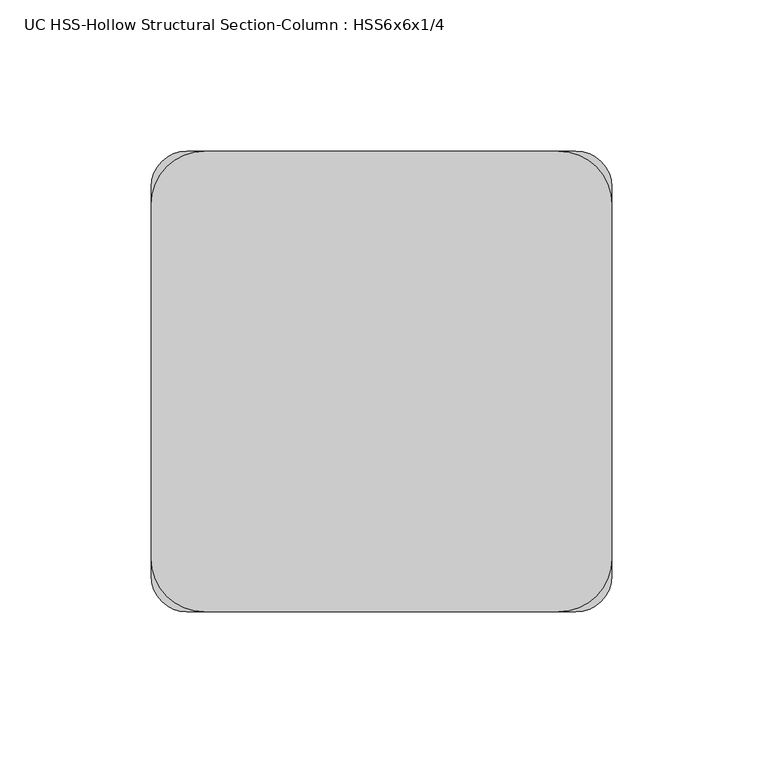
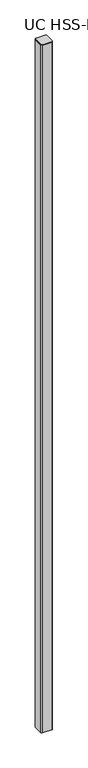
"""IFC4 building model written with IfcOpenShell, lengths in millimetres: column geometry, UC HSS-Hollow Structural Section-Column : HSS6x6x1/4."""

from ifc_helpers import new_model, si_unit, point, frame, frame_2d, origin, place, context, project, spatial, polyline, circle_curve, trimmed, segment, composite_curve, outline, extrude, source, transform, mapped, element, save


def uc_hss_hollow_structural_section_column_hss6x6x1_4_09a02f7c(model_context):
    return source(origin(), model_context, "Body", "SweptSolid", [
        extrude(outline(composite_curve([segment(trimmed(circle_curve(frame_2d((-58.5390625, 58.5390625)), 17.6609375), [point((-76.2, 58.5390625))], [point((-58.5390625, 76.2))], False, "CARTESIAN"), True, "CONTINUOUS"), segment(polyline([(-58.5390625, 76.2), (58.5390625, 76.2)]), True, "CONTINUOUS"), segment(trimmed(circle_curve(frame_2d((58.5390625, 58.5390625)), 17.6609375), [point((58.5390625, 76.2))], [point((76.2, 58.5390625))], False, "CARTESIAN"), True, "CONTINUOUS"), segment(polyline([(76.2, 58.5390625), (76.2, -58.5390625)]), True, "CONTINUOUS"), segment(trimmed(circle_curve(frame_2d((58.5390625, -58.5390625)), 17.6609375), [point((76.2, -58.5390625))], [point((58.5390625, -76.2))], False, "CARTESIAN"), True, "CONTINUOUS"), segment(polyline([(58.5390625, -76.2), (-58.5390625, -76.2)]), True, "CONTINUOUS"), segment(trimmed(circle_curve(frame_2d((-58.5390625, -58.5390625)), 17.6609375), [point((-58.5390625, -76.2))], [point((-76.2, -58.5390625))], False, "CARTESIAN"), True, "CONTINUOUS"), segment(polyline([(-76.2, -58.5390625), (-76.2, 58.5390625)]), True, "CONTINUOUS")], self_intersect=False)), frame((0.0, 0.0, 9137.65), z_axis=(0.0, 0.0, 1.0), x_axis=(1.0, 0.0, 0.0)), (0.0, 0.0, 1.0), 6.35),
        extrude(outline(composite_curve([segment(trimmed(circle_curve(frame_2d((64.3636, 64.3636)), 11.8364), [point((64.3636, 76.2))], [point((76.2, 64.3636))], False, "CARTESIAN"), True, "CONTINUOUS"), segment(polyline([(76.2, 64.3636), (76.2, -64.3636)]), True, "CONTINUOUS"), segment(trimmed(circle_curve(frame_2d((64.3636, -64.3636)), 11.8364), [point((76.2, -64.3636))], [point((64.3636, -76.2))], False, "CARTESIAN"), True, "CONTINUOUS"), segment(polyline([(64.3636, -76.2), (-64.3636, -76.2)]), True, "CONTINUOUS"), segment(trimmed(circle_curve(frame_2d((-64.3636, -64.3636)), 11.8364), [point((-64.3636, -76.2))], [point((-76.2, -64.3636))], False, "CARTESIAN"), True, "CONTINUOUS"), segment(polyline([(-76.2, -64.3636), (-76.2, 64.3636)]), True, "CONTINUOUS"), segment(trimmed(circle_curve(frame_2d((-64.3636, 64.3636)), 11.8364), [point((-76.2, 64.3636))], [point((-64.3636, 76.2))], False, "CARTESIAN"), True, "CONTINUOUS"), segment(polyline([(-64.3636, 76.2), (64.3636, 76.2)]), True, "CONTINUOUS")], self_intersect=False), holes=[composite_curve([segment(polyline([(64.3636, 70.2818), (-64.3636, 70.2818)]), True, "CONTINUOUS"), segment(trimmed(circle_curve(frame_2d((-64.3636, 64.3636)), 5.9182), [point((-64.3636, 70.2818))], [point((-70.2818, 64.3636))], True, "CARTESIAN"), True, "CONTINUOUS"), segment(polyline([(-70.2818, 64.3636), (-70.2818, -64.3636)]), True, "CONTINUOUS"), segment(trimmed(circle_curve(frame_2d((-64.3636, -64.3636)), 5.9182), [point((-70.2818, -64.3636))], [point((-64.3636, -70.2818))], True, "CARTESIAN"), True, "CONTINUOUS"), segment(polyline([(-64.3636, -70.2818), (64.3636, -70.2818)]), True, "CONTINUOUS"), segment(trimmed(circle_curve(frame_2d((64.3636, -64.3636)), 5.9182), [point((64.3636, -70.2818))], [point((70.2818, -64.3636))], True, "CARTESIAN"), True, "CONTINUOUS"), segment(polyline([(70.2818, -64.3636), (70.2818, 64.3636)]), True, "CONTINUOUS"), segment(trimmed(circle_curve(frame_2d((64.3636, 64.3636)), 5.9182), [point((70.2818, 64.3636))], [point((64.3636, 70.2818))], True, "CARTESIAN"), True, "CONTINUOUS")], self_intersect=False)]), frame((0.0, 0.0, -609.6), z_axis=(0.0, 0.0, 1.0), x_axis=(1.0, 0.0, 0.0)), (0.0, 0.0, 1.0), 9747.25),
    ])


if __name__ == "__main__":
    model = new_model("IFC4")
    model_context = context("Model", 3, world=origin())
    ifc_project = project(units=[si_unit("LENGTHUNIT", "METRE", prefix="MILLI")], contexts=[model_context])
    site = spatial("IfcSite", under=ifc_project)
    building = spatial("IfcBuilding", under=site)
    placement = place(None, origin())
    uc_hss_hollow_structural_section_column_hss6x6x1_4_shape = uc_hss_hollow_structural_section_column_hss6x6x1_4_09a02f7c(model_context)
    element("IfcColumn", 1, ObjectType="UC HSS-Hollow Structural Section-Column : HSS6x6x1/4", at=placement, inside=building, context=model_context, shape_type="MappedRepresentation", body=[
        mapped(uc_hss_hollow_structural_section_column_hss6x6x1_4_shape, transform((0.0, 0.0, 0.0), x_axis=(1.0, 0.0, 0.0), y_axis=(0.0, 1.0, 0.0), z_axis=(0.0, 0.0, 1.0))),
    ])
    save(model, "model.ifc")
